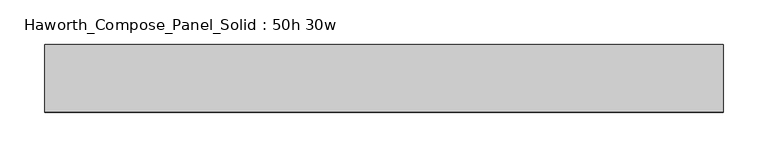
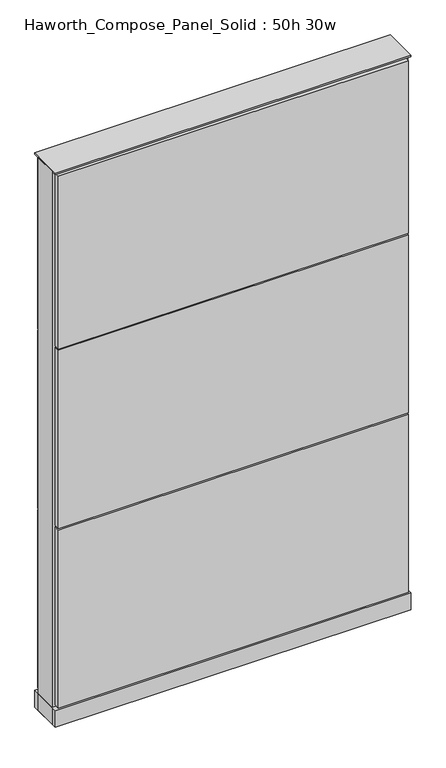
"""IFC4 building model written with IfcOpenShell, lengths in millimetres: furniture geometry, Haworth_Compose_Panel_Solid : 50h 30w."""

from ifc_helpers import new_model, si_unit, point, frame, frame_2d, origin, origin_with_axes, place, context, project, spatial, polyline, circle_curve, trimmed, segment, composite_curve, outline, extrude, source, transform, mapped, element, save


def haworth_compose_panel_solid_50h_30w_378b0725(model_context):
    return source(origin(), model_context, "Body", "SweptSolid", [
        extrude(outline(composite_curve([segment(trimmed(circle_curve(frame_2d((-302.3597098, 0.0)), 12.7), [point((-315.0597098, 0.0))], [point((-289.6597098, 0.0))], False, "CARTESIAN"), True, "CONTINUOUS"), segment(trimmed(circle_curve(frame_2d((-302.3597098, 0.0)), 12.7), [point((-289.6597098, 0.0))], [point((-315.0597098, 0.0))], False, "CARTESIAN"), True, "CONTINUOUS")], self_intersect=False)), origin_with_axes(), (0.0, 0.0, 1.0), 12.7),
        extrude(outline(composite_curve([segment(trimmed(circle_curve(frame_2d((307.2402902, 0.0)), 12.7), [point((294.5402902, 0.0))], [point((319.9402902, 0.0))], False, "CARTESIAN"), True, "CONTINUOUS"), segment(trimmed(circle_curve(frame_2d((307.2402902, 0.0)), 12.7), [point((319.9402902, 0.0))], [point((294.5402902, 0.0))], False, "CARTESIAN"), True, "CONTINUOUS")], self_intersect=False)), origin_with_axes(), (0.0, 0.0, 1.0), 12.7),
        extrude(outline(polyline([(377.0902902, 38.1), (377.0902902, 25.4), (-372.2097098, 25.4), (-372.2097098, 38.1), (377.0902902, 38.1)])), frame((0.0, 0.0, 866.775), z_axis=(0.0, 0.0, 1.0), x_axis=(1.0, 0.0, 0.0)), (0.0, 0.0, 1.0), 390.525),
        extrude(outline(polyline([(377.0902902, 38.1), (377.0902902, 25.4), (-372.2097098, 25.4), (-372.2097098, 38.1), (377.0902902, 38.1)])), frame((0.0, 0.0, 460.375), z_axis=(0.0, 0.0, 1.0), x_axis=(1.0, 0.0, 0.0)), (0.0, 0.0, 1.0), 403.225),
        extrude(outline(polyline([(377.0902902, 38.1), (377.0902902, 25.4), (-372.2097098, 25.4), (-372.2097098, 38.1), (377.0902902, 38.1)])), frame((0.0, 0.0, 53.975), z_axis=(0.0, 0.0, 1.0), x_axis=(1.0, 0.0, 0.0)), (0.0, 0.0, 1.0), 403.225),
        extrude(outline(polyline([(377.0902902, -38.1), (-372.2097098, -38.1), (-372.2097098, -25.4), (377.0902902, -25.4), (377.0902902, -38.1)])), frame((0.0, 0.0, 866.775), z_axis=(0.0, 0.0, 1.0), x_axis=(1.0, 0.0, 0.0)), (0.0, 0.0, 1.0), 390.525),
        extrude(outline(polyline([(377.0902902, -38.1), (-372.2097098, -38.1), (-372.2097098, -25.4), (377.0902902, -25.4), (377.0902902, -38.1)])), frame((0.0, 0.0, 460.375), z_axis=(0.0, 0.0, 1.0), x_axis=(1.0, 0.0, 0.0)), (0.0, 0.0, 1.0), 403.225),
        extrude(outline(polyline([(377.0902902, -38.1), (-372.2097098, -38.1), (-372.2097098, -25.4), (377.0902902, -25.4), (377.0902902, -38.1)])), frame((0.0, 0.0, 53.975), z_axis=(0.0, 0.0, 1.0), x_axis=(1.0, 0.0, 0.0)), (0.0, 0.0, 1.0), 403.225),
        extrude(outline(polyline([(383.4402902, 25.4), (383.4402902, -25.4), (-378.5597098, -25.4), (-378.5597098, 25.4), (383.4402902, 25.4)])), frame((0.0, 0.0, 12.7), z_axis=(0.0, 0.0, 1.0), x_axis=(1.0, 0.0, 0.0)), (0.0, 0.0, 1.0), 1250.95),
        extrude(outline(polyline([(-378.5597098, -38.1), (-378.5597098, 38.1), (383.4402902, 38.1), (383.4402902, -38.1), (-378.5597098, -38.1)])), frame((0.0, 0.0, 12.7), z_axis=(0.0, 0.0, 1.0), x_axis=(1.0, 0.0, 0.0)), (0.0, 0.0, 1.0), 38.1),
        extrude(outline(polyline([(-378.5597098, -38.1), (-378.5597098, 38.1), (383.4402902, 38.1), (383.4402902, -38.1), (-378.5597098, -38.1)])), frame((0.0, 0.0, 1263.65), z_axis=(0.0, 0.0, 1.0), x_axis=(1.0, 0.0, 0.0)), (0.0, 0.0, 1.0), 3.175),
    ])


if __name__ == "__main__":
    model = new_model("IFC4")
    model_context = context("Model", 3, world=origin())
    ifc_project = project(units=[si_unit("LENGTHUNIT", "METRE", prefix="MILLI")], contexts=[model_context])
    site = spatial("IfcSite", under=ifc_project)
    building = spatial("IfcBuilding", under=site)
    placement = place(None, origin())
    haworth_compose_panel_solid_50h_30w_shape = haworth_compose_panel_solid_50h_30w_378b0725(model_context)
    element("IfcFurniture", 1, ObjectType="Haworth_Compose_Panel_Solid : 50h 30w", at=placement, inside=building, context=model_context, shape_type="MappedRepresentation", body=[
        mapped(haworth_compose_panel_solid_50h_30w_shape, transform((0.0, 0.0, 0.0), x_axis=(1.0, 0.0, 0.0), y_axis=(0.0, 1.0, 0.0), z_axis=(0.0, 0.0, 1.0))),
    ])
    save(model, "model.ifc")
